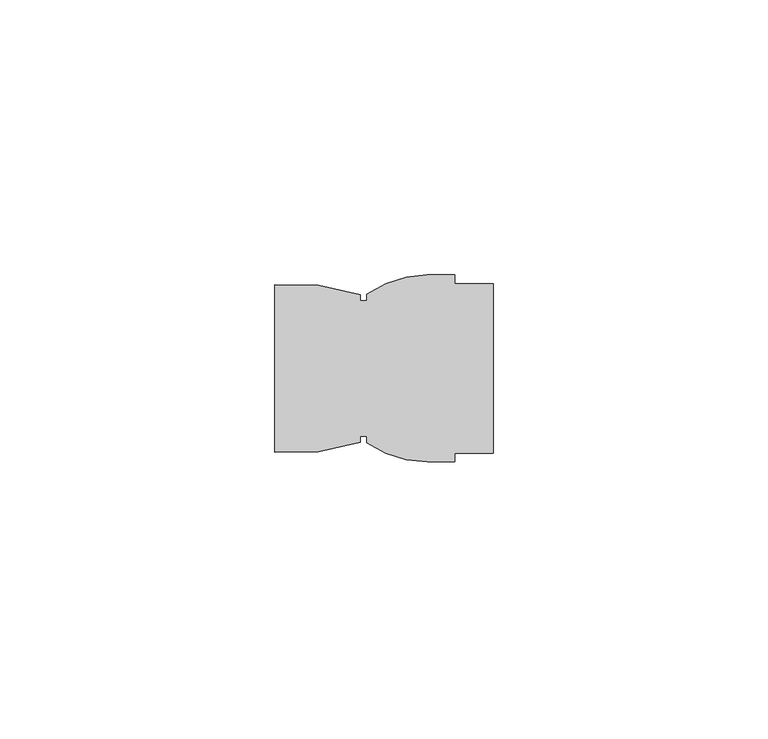
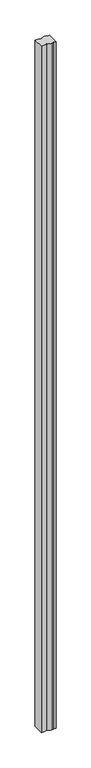
"""IFC4 building model written with IfcOpenShell, lengths in millimetres: member geometry."""

import ifcopenshell
import ifcopenshell.guid

model = None  # the IFC model being written
_history = None  # IfcOwnerHistory: only IFC2X3 demands one
_inside = {}  # id of a spatial element -> (the spatial element, [elements in it])
_under = {}  # id of a project, library or spatial element -> (it, [spatial elements below it])
_declared = {}  # id of a project -> (the project, [libraries it declares])
_typed = {}  # id of a type object -> (the type object, [elements of that type])
_made_of = {}  # id of a material, layer set ... -> (it, [elements and type objects made of it])


def new_model(schema):
    """Start an empty IFC model of exactly this schema.

    Asked for "IFC4X3", IfcOpenShell would pick the latest addendum, in which some entities
    have other attributes; the version numbers below select the first issue.
    IFC2X3 requires an IfcOwnerHistory on every rooted entity: one is made here for all.
    """
    global model, _history
    if schema == "IFC4X3":
        model = ifcopenshell.file(schema_version=(4, 3, 0, 0))
    else:
        model = ifcopenshell.file(schema=schema)
    _inside.clear()
    _under.clear()
    _declared.clear()
    _typed.clear()
    _made_of.clear()
    _history = None
    if model.schema == "IFC2X3":
        org = make("IfcOrganization", Name="unknown")
        user = make(
            "IfcPersonAndOrganization",
            ThePerson=make("IfcPerson", FamilyName="unknown"),
            TheOrganization=org,
        )
        app = make(
            "IfcApplication",
            ApplicationDeveloper=org,
            Version="unknown",
            ApplicationFullName="unknown",
            ApplicationIdentifier="unknown",
        )
        _history = make(
            "IfcOwnerHistory",
            OwningUser=user,
            OwningApplication=app,
            ChangeAction="ADDED",
            CreationDate=0,
        )
    return model


def make(cls, **values):
    """One entity of the class cls with the attributes given. An attribute that is None is left unset."""
    return model.create_entity(
        cls, **{name: value for name, value in values.items() if value is not None}
    )


def rooted(cls, **values):
    """An entity with a GlobalId (a new one), such as an element, a storey or a relation."""
    return make(cls, GlobalId=ifcopenshell.guid.new(), OwnerHistory=_history, **values)


def si_unit(unit_type, name, prefix=None):
    """IfcSIUnit, for example si_unit("LENGTHUNIT", "METRE", prefix="MILLI")."""
    return make("IfcSIUnit", UnitType=unit_type, Prefix=prefix, Name=name)


def assignment(units):
    """IfcUnitAssignment: the units of a project."""
    return None if units is None else make("IfcUnitAssignment", Units=units)


def point(xyz):
    """IfcCartesianPoint."""
    return None if xyz is None else make("IfcCartesianPoint", Coordinates=xyz)


def direction(xyz):
    """IfcDirection."""
    return None if xyz is None else make("IfcDirection", DirectionRatios=xyz)


def frame(location, z_axis=None, x_axis=None):
    """IfcAxis2Placement3D, a coordinate frame: its origin and axes. An axis left out is left unset."""
    return make(
        "IfcAxis2Placement3D",
        Location=point(location),
        Axis=direction(z_axis),
        RefDirection=direction(x_axis),
    )


def frame_2d(location, x_axis=None):
    """IfcAxis2Placement2D, a coordinate frame in the plane: its origin and x axis."""
    return make(
        "IfcAxis2Placement2D", Location=point(location), RefDirection=direction(x_axis)
    )


def origin():
    """The frame at (0, 0, 0) with its axes left unset."""
    return frame((0.0, 0.0, 0.0))


def place(relative_to, where):
    """IfcLocalPlacement: puts the frame where relative to a parent placement (None: the world)."""
    return make(
        "IfcLocalPlacement", PlacementRelTo=relative_to, RelativePlacement=where
    )


def context(
    kind, dimensions, precision=None, world=None, true_north=None, identifier=None
):
    """IfcGeometricRepresentationContext, for example the 3D "Model" context."""
    return make(
        "IfcGeometricRepresentationContext",
        ContextIdentifier=identifier,
        ContextType=kind,
        CoordinateSpaceDimension=dimensions,
        Precision=precision,
        WorldCoordinateSystem=world,
        TrueNorth=true_north,
    )


def project(units=None, contexts=None):
    """IfcProject with its units and contexts."""
    return rooted(
        "IfcProject",
        Name="project",
        RepresentationContexts=contexts,
        UnitsInContext=assignment(units),
    )


def spatial(cls, under=None, at=None, **own):
    """A site, building, storey or space (cls), placed at a placement, below another one or the project."""
    s = rooted(cls, ObjectPlacement=at, **own)
    if under is not None:
        _under.setdefault(under.id(), (under, []))[1].append(s)
    return s


def polyline(points):
    """IfcPolyline through the points."""
    return make("IfcPolyline", Points=[point(p) for p in points])


def circle_curve(where, radius):
    """IfcCircle in the frame where."""
    return make("IfcCircle", Position=where, Radius=radius)


def trimmed(basis, trim1, trim2, sense, master):
    """IfcTrimmedCurve: the piece of a basis curve between two trims."""
    return make(
        "IfcTrimmedCurve",
        BasisCurve=basis,
        Trim1=trim1,
        Trim2=trim2,
        SenseAgreement=sense,
        MasterRepresentation=master,
    )


def segment(curve, same_sense, transition):
    """IfcCompositeCurveSegment."""
    return make(
        "IfcCompositeCurveSegment",
        Transition=transition,
        SameSense=same_sense,
        ParentCurve=curve,
    )


def composite_curve(segments, self_intersect=None):
    """IfcCompositeCurve: segments joined end to end."""
    return make("IfcCompositeCurve", Segments=segments, SelfIntersect=self_intersect)


def outline(outer, holes=None, kind="AREA"):
    """IfcArbitraryClosedProfileDef: a profile drawn as a closed curve; with holes, ...WithVoids."""
    if holes is None:
        return make("IfcArbitraryClosedProfileDef", ProfileType=kind, OuterCurve=outer)
    return make(
        "IfcArbitraryProfileDefWithVoids",
        ProfileType=kind,
        OuterCurve=outer,
        InnerCurves=holes,
    )


def extrude(swept, where, along, depth):
    """IfcExtrudedAreaSolid: the profile swept, set in the frame where, extruded along a direction by depth."""
    return make(
        "IfcExtrudedAreaSolid",
        SweptArea=swept,
        Position=where,
        ExtrudedDirection=direction(along),
        Depth=depth,
    )


def shape(context_of_items, identifier, shape_type, items):
    """IfcShapeRepresentation: the items that make up one representation, for example the "Body"."""
    return make(
        "IfcShapeRepresentation",
        ContextOfItems=context_of_items,
        RepresentationIdentifier=identifier,
        RepresentationType=shape_type,
        Items=items,
    )


def source(mapping_origin, context_of_items, identifier, shape_type, items):
    """IfcRepresentationMap: a shape defined once, which mapped items show again and again."""
    return make(
        "IfcRepresentationMap",
        MappingOrigin=mapping_origin,
        MappedRepresentation=shape(context_of_items, identifier, shape_type, items),
    )


def transform(
    local_origin,
    x_axis=None,
    y_axis=None,
    z_axis=None,
    scale=None,
    scale2=None,
    scale3=None,
    uniform=True,
):
    """IfcCartesianTransformationOperator3D, or its non-uniform kind. x_axis, y_axis, z_axis: its Axis1, 2, 3."""
    if uniform:
        return make(
            "IfcCartesianTransformationOperator3D",
            Axis1=direction(x_axis),
            Axis2=direction(y_axis),
            LocalOrigin=point(local_origin),
            Scale=scale,
            Axis3=direction(z_axis),
        )
    return make(
        "IfcCartesianTransformationOperator3DnonUniform",
        Axis1=direction(x_axis),
        Axis2=direction(y_axis),
        LocalOrigin=point(local_origin),
        Scale=scale,
        Axis3=direction(z_axis),
        Scale2=scale2,
        Scale3=scale3,
    )


def mapped(mapping_source, mapping_target):
    """IfcMappedItem: shows the shape of a source again, moved by a transform."""
    return make(
        "IfcMappedItem", MappingSource=mapping_source, MappingTarget=mapping_target
    )


def made_of(thing, what):
    """Note that an element or type object is made of a material, layer set ...; save() writes the relation."""
    if what is not None:
        _made_of.setdefault(what.id(), (what, []))[1].append(thing)
    return thing


def element(
    cls,
    number,
    at=None,
    inside=None,
    cuts=None,
    type_object=None,
    material=None,
    context=None,
    identifier="Body",
    shape_type=None,
    held_by="IfcProductDefinitionShape",
    body=None,
    shapes=None,
    **own,
):
    """One element of the class cls, such as IfcWall. Its Tag is "e" and its number.

    at: its placement. inside: the storey or other place that contains it. cuts: it is an
    opening in that element (IfcRelVoidsElement). A single representation is given by context,
    identifier, shape_type and body (its items); several are given by shapes. held_by: the class
    of the entity that holds the representations. save() writes the other relations.
    """
    e = rooted(cls, Tag="e%d" % number, ObjectPlacement=at, **own)
    if body is not None:
        shapes = [shape(context, identifier, shape_type, body)]
    if shapes is not None:
        e.Representation = make(held_by, Representations=shapes)
    if inside is not None:
        _inside.setdefault(inside.id(), (inside, []))[1].append(e)
    if cuts is not None:
        rooted(
            "IfcRelVoidsElement", RelatingBuildingElement=cuts, RelatedOpeningElement=e
        )
    if type_object is not None:
        _typed.setdefault(type_object.id(), (type_object, []))[1].append(e)
    return made_of(e, material)


def aggregate(whole, parts):
    """IfcRelAggregates: a whole, such as a stair, and the parts it consists of."""
    return rooted("IfcRelAggregates", RelatingObject=whole, RelatedObjects=parts)


def save(model, path):
    """Write the relations noted so far, then the file.

    IfcRelAggregates (storeys below a building ...), IfcRelContainedInSpatialStructure (elements
    in a storey), IfcRelDefinesByType, IfcRelAssociatesMaterial and IfcRelDeclares: one each for
    every whole, place, type object, material and project.
    """
    for whole, parts in _under.values():
        aggregate(whole, parts)
    for where, things in _inside.values():
        rooted(
            "IfcRelContainedInSpatialStructure",
            RelatedElements=things,
            RelatingStructure=where,
        )
    for kind, things in _typed.values():
        rooted("IfcRelDefinesByType", RelatedObjects=things, RelatingType=kind)
    for what, things in _made_of.values():
        rooted("IfcRelAssociatesMaterial", RelatedObjects=things, RelatingMaterial=what)
    for by, libraries in _declared.values():
        rooted("IfcRelDeclares", RelatingContext=by, RelatedDefinitions=libraries)
    model.write(path)


def member_79fc9559(model_context):
    return source(origin(), model_context, "Body", "SweptSolid", [
        extrude(outline(composite_curve([segment(polyline([(-22.919617, -13.5), (-22.919617, -12.35), (-24.1221188, -12.35), (-24.1221188, -13.4055115)]), True, "CONTINUOUS"), segment(trimmed(circle_curve(frame_2d((-36.1221179, 22.6500015)), 38.0), [point((-24.1221188, -13.4055115))], [point((-39.6397368, -15.1868371))], False, "CARTESIAN"), True, "CONTINUOUS"), segment(polyline([(-39.6397368, -15.1868371), (-39.6397368, 15.186835)]), True, "CONTINUOUS"), segment(trimmed(circle_curve(frame_2d((-36.1221179, -22.6500036)), 38.0), [point((-39.6397368, 15.186835))], [point((-24.1221189, 13.4055095))], False, "CARTESIAN"), True, "CONTINUOUS"), segment(polyline([(-24.1221189, 13.4055095), (-24.1221189, 12.35), (-22.919617, 12.35), (-22.919617, 13.5)]), True, "CONTINUOUS"), segment(trimmed(circle_curve(frame_2d((-11.613544, -2.9976578)), 20.0), [point((-22.919617, 13.5))], [point((-11.919617, 17.0))], False, "CARTESIAN"), True, "CONTINUOUS"), segment(polyline([(-11.919617, 17.0), (-6.919617, 17.0), (-6.919617, 15.45), (0.0, 15.45), (0.0, -15.45), (-6.919617, -15.45), (-6.919617, -17.0), (-11.919617, -17.0)]), True, "CONTINUOUS"), segment(trimmed(circle_curve(frame_2d((-11.613544, 2.9976578)), 20.0), [point((-11.919617, -17.0))], [point((-22.919617, -13.5))], False, "CARTESIAN"), True, "CONTINUOUS")], self_intersect=False)), frame((0.0, 0.0, -2000.0), z_axis=(0.0, 0.0, 1.0), x_axis=(1.0, 0.0, 0.0)), (0.0, 0.0, 1.0), 2000.0),
    ])


if __name__ == "__main__":
    model = new_model("IFC4")
    model_context = context("Model", 3, world=origin())
    ifc_project = project(units=[si_unit("LENGTHUNIT", "METRE", prefix="MILLI")], contexts=[model_context])
    site = spatial("IfcSite", under=ifc_project)
    building = spatial("IfcBuilding", under=site)
    placement = place(None, origin())
    member_shape = member_79fc9559(model_context)
    element("IfcMember", 1, at=placement, inside=building, context=model_context, shape_type="MappedRepresentation", body=[
        mapped(member_shape, transform((0.0, 0.0, 0.0), x_axis=(1.0, 0.0, 0.0), y_axis=(0.0, 1.0, 0.0), z_axis=(0.0, 0.0, 1.0))),
    ])
    save(model, "model.ifc")
